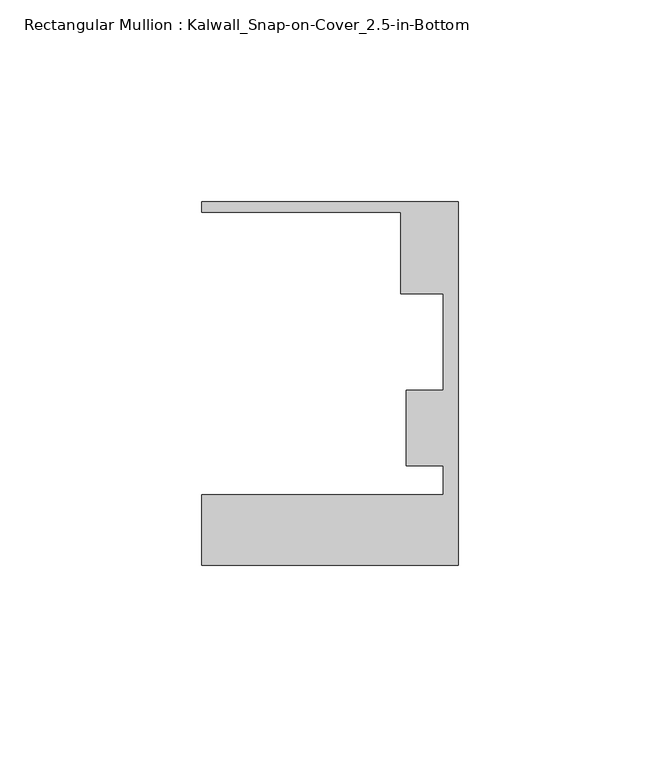
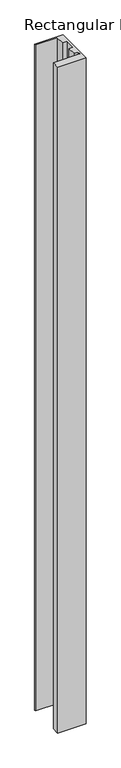
"""IFC4 building model written with IfcOpenShell, lengths in millimetres: member geometry, Rectangular Mullion : Kalwall_Snap-on-Cover_2.5-in-Bottom."""

from ifc_helpers import new_model, si_unit, frame, origin, place, context, project, spatial, polyline, outline, extrude, source, transform, mapped, element, save


def rectangular_mullion_kalwall_snap_on_cover_2_5_in_bottom_be4b79d8(model_context):
    return source(origin(), model_context, "Body", "SweptSolid", [
        extrude(outline(polyline([(0.0, -52.5001386), (-63.5, -52.5001386), (-63.5, -35.0376386), (-3.7084, -35.0376386), (-3.7084, -27.8888568), (-12.8272539, -27.8888568), (-12.8272539, -9.1879886), (-3.7084, -9.1879886), (-3.7084, 14.7439614), (-14.1732, 14.7439614), (-14.1732, 34.9623614), (-63.5, 34.9623614), (-63.5, 37.5023614), (0.0, 37.5023614), (0.0, -52.5001386)])), frame((0.0, 0.0, -1585.0068), z_axis=(0.0, 0.0, 1.0), x_axis=(1.0, 0.0, 0.0)), (0.0, 0.0, 1.0), 1585.0068),
    ])


if __name__ == "__main__":
    model = new_model("IFC4")
    model_context = context("Model", 3, world=origin())
    ifc_project = project(units=[si_unit("LENGTHUNIT", "METRE", prefix="MILLI")], contexts=[model_context])
    site = spatial("IfcSite", under=ifc_project)
    building = spatial("IfcBuilding", under=site)
    placement = place(None, origin())
    rectangular_mullion_kalwall_snap_on_cover_2_5_in_bottom_shape = rectangular_mullion_kalwall_snap_on_cover_2_5_in_bottom_be4b79d8(model_context)
    element("IfcMember", 1, ObjectType="Rectangular Mullion : Kalwall_Snap-on-Cover_2.5-in-Bottom", at=placement, inside=building, context=model_context, shape_type="MappedRepresentation", body=[
        mapped(rectangular_mullion_kalwall_snap_on_cover_2_5_in_bottom_shape, transform((0.0, 0.0, 0.0), x_axis=(1.0, 0.0, 0.0), y_axis=(0.0, 1.0, 0.0), z_axis=(0.0, 0.0, 1.0))),
    ])
    save(model, "model.ifc")
